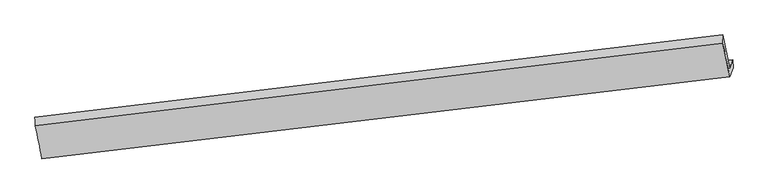
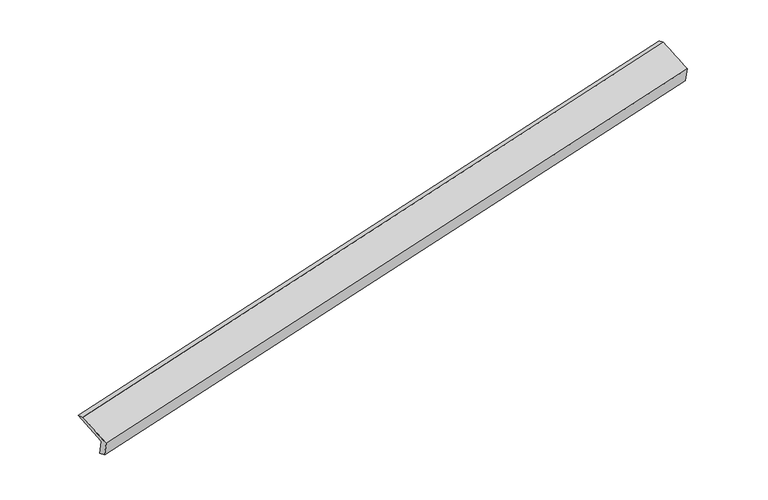
"""IFC4 building model written with IfcOpenShell, lengths in millimetres: proxy geometry."""

import ifcopenshell
import ifcopenshell.guid

model = None  # the IFC model being written
_history = None  # IfcOwnerHistory: only IFC2X3 demands one
_inside = {}  # id of a spatial element -> (the spatial element, [elements in it])
_under = {}  # id of a project, library or spatial element -> (it, [spatial elements below it])
_declared = {}  # id of a project -> (the project, [libraries it declares])
_typed = {}  # id of a type object -> (the type object, [elements of that type])
_made_of = {}  # id of a material, layer set ... -> (it, [elements and type objects made of it])


def new_model(schema):
    """Start an empty IFC model of exactly this schema.

    Asked for "IFC4X3", IfcOpenShell would pick the latest addendum, in which some entities
    have other attributes; the version numbers below select the first issue.
    IFC2X3 requires an IfcOwnerHistory on every rooted entity: one is made here for all.
    """
    global model, _history
    if schema == "IFC4X3":
        model = ifcopenshell.file(schema_version=(4, 3, 0, 0))
    else:
        model = ifcopenshell.file(schema=schema)
    _inside.clear()
    _under.clear()
    _declared.clear()
    _typed.clear()
    _made_of.clear()
    _history = None
    if model.schema == "IFC2X3":
        org = make("IfcOrganization", Name="unknown")
        user = make(
            "IfcPersonAndOrganization",
            ThePerson=make("IfcPerson", FamilyName="unknown"),
            TheOrganization=org,
        )
        app = make(
            "IfcApplication",
            ApplicationDeveloper=org,
            Version="unknown",
            ApplicationFullName="unknown",
            ApplicationIdentifier="unknown",
        )
        _history = make(
            "IfcOwnerHistory",
            OwningUser=user,
            OwningApplication=app,
            ChangeAction="ADDED",
            CreationDate=0,
        )
    return model


def make(cls, **values):
    """One entity of the class cls with the attributes given. An attribute that is None is left unset."""
    return model.create_entity(
        cls, **{name: value for name, value in values.items() if value is not None}
    )


def rooted(cls, **values):
    """An entity with a GlobalId (a new one), such as an element, a storey or a relation."""
    return make(cls, GlobalId=ifcopenshell.guid.new(), OwnerHistory=_history, **values)


def si_unit(unit_type, name, prefix=None):
    """IfcSIUnit, for example si_unit("LENGTHUNIT", "METRE", prefix="MILLI")."""
    return make("IfcSIUnit", UnitType=unit_type, Prefix=prefix, Name=name)


def assignment(units):
    """IfcUnitAssignment: the units of a project."""
    return None if units is None else make("IfcUnitAssignment", Units=units)


def point(xyz):
    """IfcCartesianPoint."""
    return None if xyz is None else make("IfcCartesianPoint", Coordinates=xyz)


def direction(xyz):
    """IfcDirection."""
    return None if xyz is None else make("IfcDirection", DirectionRatios=xyz)


def frame(location, z_axis=None, x_axis=None):
    """IfcAxis2Placement3D, a coordinate frame: its origin and axes. An axis left out is left unset."""
    return make(
        "IfcAxis2Placement3D",
        Location=point(location),
        Axis=direction(z_axis),
        RefDirection=direction(x_axis),
    )


def origin():
    """The frame at (0, 0, 0) with its axes left unset."""
    return frame((0.0, 0.0, 0.0))


def place(relative_to, where):
    """IfcLocalPlacement: puts the frame where relative to a parent placement (None: the world)."""
    return make(
        "IfcLocalPlacement", PlacementRelTo=relative_to, RelativePlacement=where
    )


def context(
    kind, dimensions, precision=None, world=None, true_north=None, identifier=None
):
    """IfcGeometricRepresentationContext, for example the 3D "Model" context."""
    return make(
        "IfcGeometricRepresentationContext",
        ContextIdentifier=identifier,
        ContextType=kind,
        CoordinateSpaceDimension=dimensions,
        Precision=precision,
        WorldCoordinateSystem=world,
        TrueNorth=true_north,
    )


def project(units=None, contexts=None):
    """IfcProject with its units and contexts."""
    return rooted(
        "IfcProject",
        Name="project",
        RepresentationContexts=contexts,
        UnitsInContext=assignment(units),
    )


def spatial(cls, under=None, at=None, **own):
    """A site, building, storey or space (cls), placed at a placement, below another one or the project."""
    s = rooted(cls, ObjectPlacement=at, **own)
    if under is not None:
        _under.setdefault(under.id(), (under, []))[1].append(s)
    return s


def shape(context_of_items, identifier, shape_type, items):
    """IfcShapeRepresentation: the items that make up one representation, for example the "Body"."""
    return make(
        "IfcShapeRepresentation",
        ContextOfItems=context_of_items,
        RepresentationIdentifier=identifier,
        RepresentationType=shape_type,
        Items=items,
    )


def source(mapping_origin, context_of_items, identifier, shape_type, items):
    """IfcRepresentationMap: a shape defined once, which mapped items show again and again."""
    return make(
        "IfcRepresentationMap",
        MappingOrigin=mapping_origin,
        MappedRepresentation=shape(context_of_items, identifier, shape_type, items),
    )


def transform(
    local_origin,
    x_axis=None,
    y_axis=None,
    z_axis=None,
    scale=None,
    scale2=None,
    scale3=None,
    uniform=True,
):
    """IfcCartesianTransformationOperator3D, or its non-uniform kind. x_axis, y_axis, z_axis: its Axis1, 2, 3."""
    if uniform:
        return make(
            "IfcCartesianTransformationOperator3D",
            Axis1=direction(x_axis),
            Axis2=direction(y_axis),
            LocalOrigin=point(local_origin),
            Scale=scale,
            Axis3=direction(z_axis),
        )
    return make(
        "IfcCartesianTransformationOperator3DnonUniform",
        Axis1=direction(x_axis),
        Axis2=direction(y_axis),
        LocalOrigin=point(local_origin),
        Scale=scale,
        Axis3=direction(z_axis),
        Scale2=scale2,
        Scale3=scale3,
    )


def mapped(mapping_source, mapping_target):
    """IfcMappedItem: shows the shape of a source again, moved by a transform."""
    return make(
        "IfcMappedItem", MappingSource=mapping_source, MappingTarget=mapping_target
    )


def made_of(thing, what):
    """Note that an element or type object is made of a material, layer set ...; save() writes the relation."""
    if what is not None:
        _made_of.setdefault(what.id(), (what, []))[1].append(thing)
    return thing


def element(
    cls,
    number,
    at=None,
    inside=None,
    cuts=None,
    type_object=None,
    material=None,
    context=None,
    identifier="Body",
    shape_type=None,
    held_by="IfcProductDefinitionShape",
    body=None,
    shapes=None,
    **own,
):
    """One element of the class cls, such as IfcWall. Its Tag is "e" and its number.

    at: its placement. inside: the storey or other place that contains it. cuts: it is an
    opening in that element (IfcRelVoidsElement). A single representation is given by context,
    identifier, shape_type and body (its items); several are given by shapes. held_by: the class
    of the entity that holds the representations. save() writes the other relations.
    """
    e = rooted(cls, Tag="e%d" % number, ObjectPlacement=at, **own)
    if body is not None:
        shapes = [shape(context, identifier, shape_type, body)]
    if shapes is not None:
        e.Representation = make(held_by, Representations=shapes)
    if inside is not None:
        _inside.setdefault(inside.id(), (inside, []))[1].append(e)
    if cuts is not None:
        rooted(
            "IfcRelVoidsElement", RelatingBuildingElement=cuts, RelatedOpeningElement=e
        )
    if type_object is not None:
        _typed.setdefault(type_object.id(), (type_object, []))[1].append(e)
    return made_of(e, material)


def aggregate(whole, parts):
    """IfcRelAggregates: a whole, such as a stair, and the parts it consists of."""
    return rooted("IfcRelAggregates", RelatingObject=whole, RelatedObjects=parts)


def save(model, path):
    """Write the relations noted so far, then the file.

    IfcRelAggregates (storeys below a building ...), IfcRelContainedInSpatialStructure (elements
    in a storey), IfcRelDefinesByType, IfcRelAssociatesMaterial and IfcRelDeclares: one each for
    every whole, place, type object, material and project.
    """
    for whole, parts in _under.values():
        aggregate(whole, parts)
    for where, things in _inside.values():
        rooted(
            "IfcRelContainedInSpatialStructure",
            RelatedElements=things,
            RelatingStructure=where,
        )
    for kind, things in _typed.values():
        rooted("IfcRelDefinesByType", RelatedObjects=things, RelatingType=kind)
    for what, things in _made_of.values():
        rooted("IfcRelAssociatesMaterial", RelatedObjects=things, RelatingMaterial=what)
    for by, libraries in _declared.values():
        rooted("IfcRelDeclares", RelatingContext=by, RelatedDefinitions=libraries)
    model.write(path)


def plane_surface(at):
    """IfcPlane: the flat surface through the origin of the frame at, square to its z axis."""
    return make("IfcPlane", Position=at)


def spline_surface(u_degree, v_degree, points, u_multiplicities, v_multiplicities, u_knots, v_knots, weights=None):
    """IfcBSplineSurfaceWithKnots; with weights, IfcRationalBSplineSurfaceWithKnots. points: one row for each step in u."""
    own = dict(
        UDegree=u_degree,
        VDegree=v_degree,
        ControlPointsList=[[point(p) for p in row] for row in points],
        SurfaceForm="UNSPECIFIED",
        UClosed=False,
        VClosed=False,
        SelfIntersect=False,
        UMultiplicities=u_multiplicities,
        VMultiplicities=v_multiplicities,
        UKnots=u_knots,
        VKnots=v_knots,
        KnotSpec="UNSPECIFIED",
    )
    if weights is None:
        return make("IfcBSplineSurfaceWithKnots", **own)
    return make("IfcRationalBSplineSurfaceWithKnots", WeightsData=weights, **own)


def advanced_brep(points, edges, surfaces, faces):
    """IfcAdvancedBrep: a solid bounded by faces that lie on surfaces and meet in shared edges.

    An edge is (start, end): straight between two places in points (the first is 0);
    or (start, end, curve); or (start, end, curve, False) where it runs against its curve.
    A face is (place in surfaces, loops), or (place, loops, False) where it looks against
    its surface's normal. A loop lists edges by number (the first is 1), with a minus sign
    where the edge is run from its end to its start. The first loop is the outer one.
    """
    corners = [point(p) for p in points]
    vertices = [make("IfcVertexPoint", VertexGeometry=c) for c in corners]
    made = []
    for start, end, *more in edges:
        made.append(
            make(
                "IfcEdgeCurve",
                EdgeStart=vertices[start],
                EdgeEnd=vertices[end],
                EdgeGeometry=more[0] if more else make("IfcPolyline", Points=[corners[start], corners[end]]),
                SameSense=more[1] if len(more) > 1 else True,
            )
        )
    hull = []
    for where, loops, *sense in faces:
        bounds = []
        for j, loop in enumerate(loops):
            ring = [make("IfcOrientedEdge", EdgeElement=made[abs(k) - 1], Orientation=k > 0) for k in loop]
            bounds.append(
                make(
                    "IfcFaceOuterBound" if j == 0 else "IfcFaceBound",
                    Bound=make("IfcEdgeLoop", EdgeList=ring),
                    Orientation=True,
                )
            )
        hull.append(make("IfcAdvancedFace", Bounds=bounds, FaceSurface=surfaces[where], SameSense=sense[0] if sense else True))
    return make("IfcAdvancedBrep", Outer=make("IfcClosedShell", CfsFaces=hull))


def generic_models_25f47d28(model_context):
    return source(origin(), model_context, "Body", "AdvancedBrep", [
        advanced_brep(
        [(-9748.4551111, -2362.0815244, 67.6143928), (-9812.1723155, -2535.1993819, 467.4426893), (4132.2661714, -871.0512129, 3412.8898161), (4195.9833758, -697.9333553, 3013.0615196), (-9740.1233076, -2533.1089668, 123.5377663), (4203.2764461, -859.7405933, 3072.8115278), (-9803.2652026, -2704.6637247, 519.7559703), (4137.2404988, -1039.1584103, 3487.1900392), (-9937.6160331, -2038.624048, 786.7278267), (3996.382631, -364.5578608, 3756.831616), (-9946.8345473, -1867.6159436, 735.033339), (3991.0862319, -194.9081883, 3683.1479286)],
        [
            (0, 1),
            (1, 2),
            (2, 3),
            (3, 0),
            (4, 0),
            (3, 5),
            (5, 4),
            (6, 4),
            (5, 7),
            (7, 6),
            (8, 6),
            (7, 9),
            (9, 8),
            (10, 8),
            (9, 11),
            (11, 10),
            (1, 10),
            (11, 2),
        ],
        [
            plane_surface(frame((-9780.3137133, -2448.6404531, 267.5285411), z_axis=(-0.1860124318019054, 0.9121208914825475, 0.36528735885084274), x_axis=(-0.14470261691011715, -0.39315295224229424, 0.9080153681532775))),
            spline_surface(1, 1, [[(-9740.1233076, -2533.1089668, 123.5377663), (4203.2764461, -859.7405933, 3072.8115278)], [(-9748.4551111, -2362.0815244, 67.6143928), (4195.9833758, -697.9333553, 3013.0615196)]], [2, 2], [2, 2], [0.0, 1.0], [0.0, 1.0]),
            plane_surface(frame((-9771.6942551, -2618.8863457, 321.6468683), z_axis=(0.1866896983514652, -0.9120397939374923, -0.3651443150370758), x_axis=(0.14470261690988181, 0.39315295224236435, -0.9080153681532847))),
            spline_surface(1, 1, [[(-9937.6160331, -2038.624048, 786.7278267), (3996.382631, -364.5578608, 3756.831616)], [(-9803.2652026, -2704.6637247, 519.7559703), (4137.2404988, -1039.1584103, 3487.1900392)]], [2, 2], [2, 2], [0.0, 1.0], [0.0, 1.0]),
            spline_surface(1, 1, [[(-9946.8345473, -1867.6159436, 735.033339), (3991.0862319, -194.9081883, 3683.1479286)], [(-9937.6160331, -2038.624048, 786.7278267), (3996.382631, -364.5578608, 3756.831616)]], [2, 2], [2, 2], [0.0, 1.0], [0.0, 1.0]),
            spline_surface(1, 1, [[(-9812.1723155, -2535.1993819, 467.4426893), (4132.2661714, -871.0512129, 3412.8898161)], [(-9946.8345473, -1867.6159436, 735.033339), (3991.0862319, -194.9081883, 3683.1479286)]], [2, 2], [2, 2], [0.0, 1.0], [0.0, 1.0]),
            plane_surface(frame((4109.3725592, -671.2249368, 3404.3220745), z_axis=(0.9709947599306255, 0.12010885767862928, 0.20674389590602657), x_axis=(0.1903426616570682, -0.9115945471810777, -0.3643693904584041))),
            plane_surface(frame((-9831.4110862, -2340.2155982, 450.0186641), z_axis=(-0.9722097018192064, -0.11418974527053563, -0.20437465049183612), x_axis=(0.14470261691011668, 0.3931529522422547, -0.9080153681532949))),
        ],
        [
            (0, [[1, 2, 3, 4]]),
            (1, [[5, -4, 6, 7]]),
            (2, [[8, -7, 9, 10]]),
            (3, [[11, -10, 12, 13]]),
            (4, [[14, -13, 15, 16]]),
            (5, [[17, -16, 18, -2]]),
            (6, [[-12, -9, -6, -3, -18, -15]]),
            (7, [[-1, -5, -8, -11, -14, -17]]),
        ],
    ),
    ])


if __name__ == "__main__":
    model = new_model("IFC4")
    model_context = context("Model", 3, world=origin())
    ifc_project = project(units=[si_unit("LENGTHUNIT", "METRE", prefix="MILLI")], contexts=[model_context])
    site = spatial("IfcSite", under=ifc_project)
    building = spatial("IfcBuilding", under=site)
    placement = place(None, origin())
    generic_models_shape = generic_models_25f47d28(model_context)
    element("IfcBuildingElementProxy", 1, Name="Generic Models", at=placement, inside=building, context=model_context, shape_type="MappedRepresentation", body=[
        mapped(generic_models_shape, transform((0.0, 0.0, 0.0), x_axis=(1.0, 0.0, 0.0), y_axis=(0.0, 1.0, 0.0), z_axis=(0.0, 0.0, 1.0))),
    ])
    save(model, "model.ifc")
